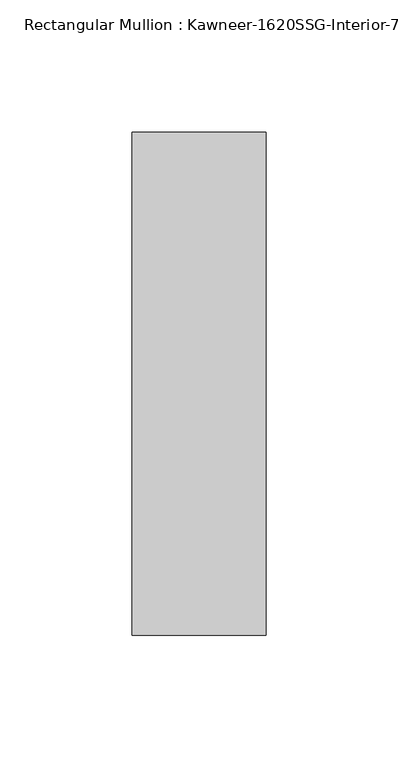
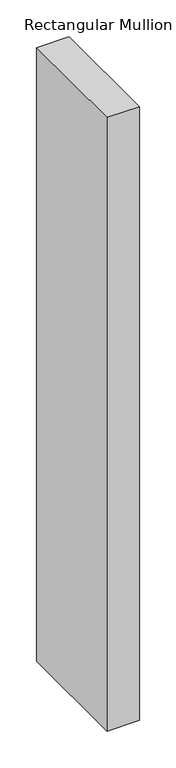
"""IFC4 building model written with IfcOpenShell, lengths in millimetres: member geometry."""

from ifc_helpers import new_model, si_unit, frame, origin, place, context, project, spatial, polyline, outline, extrude, source, transform, mapped, element, save


def member_367c620f(model_context):
    return source(origin(), model_context, "Body", "SweptSolid", [
        extrude(outline(polyline([(25.4, 161.925), (25.4, -28.575), (-25.4, -28.575), (-25.4, 161.925), (25.4, 161.925)])), frame((0.0, 0.0, -1016.0), z_axis=(0.0, 0.0, 1.0), x_axis=(1.0, 0.0, 0.0)), (0.0, 0.0, 1.0), 1016.0),
    ])


if __name__ == "__main__":
    model = new_model("IFC4")
    model_context = context("Model", 3, world=origin())
    ifc_project = project(units=[si_unit("LENGTHUNIT", "METRE", prefix="MILLI")], contexts=[model_context])
    site = spatial("IfcSite", under=ifc_project)
    building = spatial("IfcBuilding", under=site)
    placement = place(None, origin())
    member_shape = member_367c620f(model_context)
    element("IfcMember", 1, ObjectType="Rectangular Mullion : Kawneer-1620SSG-Interior-7.5\"-1/4\"Infill", at=placement, inside=building, context=model_context, shape_type="MappedRepresentation", body=[
        mapped(member_shape, transform((0.0, 0.0, 0.0), x_axis=(1.0, 0.0, 0.0), y_axis=(0.0, 1.0, 0.0), z_axis=(0.0, 0.0, 1.0))),
    ])
    save(model, "model.ifc")
